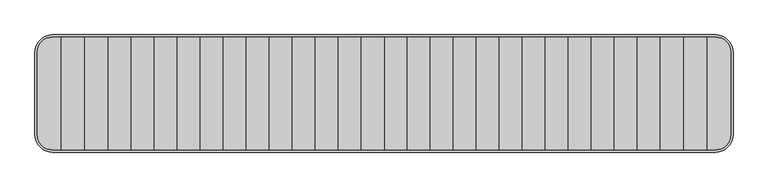
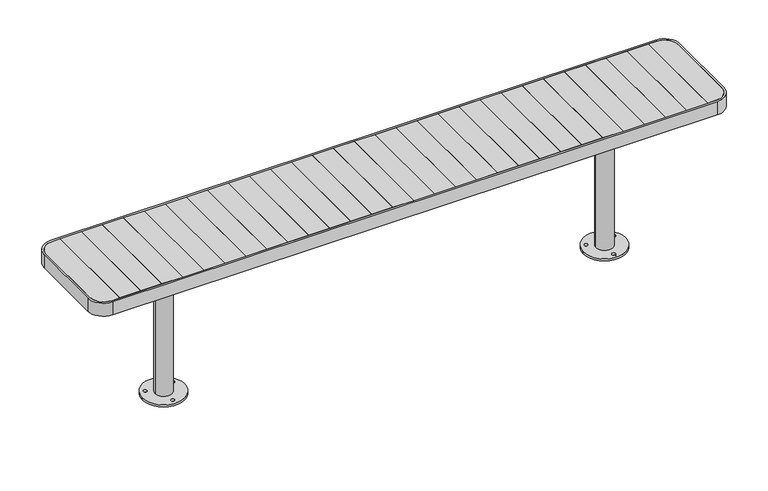
"""IFC4 building model written with IfcOpenShell, lengths in millimetres: furniture geometry."""

from ifc_helpers import new_model, si_unit, point, frame, frame_2d, origin, origin_with_axes, place, context, project, spatial, polyline, circle_curve, trimmed, segment, composite_curve, outline, extrude, source, transform, mapped, element, save
from ifc_brep_helpers import plane_surface, cylinder_surface, advanced_brep


def furniture_3f24c465(model_context):
    return source(origin(), model_context, "Body", "SolidModel", [
        extrude(outline(composite_curve([segment(trimmed(circle_curve(frame_2d((1036.35, 0.0)), 100.0), [point((1136.35, 0.0))], [point((936.35, 0.0))], False, "CARTESIAN"), True, "CONTINUOUS"), segment(trimmed(circle_curve(frame_2d((1036.35, 0.0)), 100.0), [point((936.35, 0.0))], [point((1136.35, 0.0))], False, "CARTESIAN"), True, "CONTINUOUS")], self_intersect=False), holes=[composite_curve([segment(trimmed(circle_curve(frame_2d((1101.3071886, 37.4460209)), 8.0), [point((1109.3071886, 37.4460209))], [point((1093.3071886, 37.4460209))], True, "CARTESIAN"), True, "CONTINUOUS"), segment(trimmed(circle_curve(frame_2d((1101.3071886, 37.4460209)), 8.0), [point((1093.3071886, 37.4460209))], [point((1109.3071886, 37.4460209))], True, "CARTESIAN"), True, "CONTINUOUS")], self_intersect=False), composite_curve([segment(trimmed(circle_curve(frame_2d((971.3071886, 37.4460209)), 8.0), [point((979.3071886, 37.4460209))], [point((963.3071886, 37.4460209))], True, "CARTESIAN"), True, "CONTINUOUS"), segment(trimmed(circle_curve(frame_2d((971.3071886, 37.4460209)), 8.0), [point((963.3071886, 37.4460209))], [point((979.3071886, 37.4460209))], True, "CARTESIAN"), True, "CONTINUOUS")], self_intersect=False), composite_curve([segment(trimmed(circle_curve(frame_2d((1036.3071886, -75.1372816)), 8.0), [point((1044.3071886, -75.1372816))], [point((1028.3071886, -75.1372816))], True, "CARTESIAN"), True, "CONTINUOUS"), segment(trimmed(circle_curve(frame_2d((1036.3071886, -75.1372816)), 8.0), [point((1028.3071886, -75.1372816))], [point((1044.3071886, -75.1372816))], True, "CARTESIAN"), True, "CONTINUOUS")], self_intersect=False)]), origin_with_axes(), (0.0, 0.0, 1.0), 9.9997207),
        extrude(outline(composite_curve([segment(trimmed(circle_curve(frame_2d((1036.3271918, 0.0)), 40.0), [point((1076.3271918, 0.0))], [point((996.3271918, 0.0))], False, "CARTESIAN"), True, "CONTINUOUS"), segment(trimmed(circle_curve(frame_2d((1036.3271918, 0.0)), 40.0), [point((996.3271918, 0.0))], [point((1076.3271918, 0.0))], False, "CARTESIAN"), True, "CONTINUOUS")], self_intersect=False)), origin_with_axes(), (0.0, 0.0, 1.0), 708.0),
        extrude(outline(composite_curve([segment(trimmed(circle_curve(frame_2d((-1036.35, 0.0)), 100.0), [point((-1136.35, 0.0))], [point((-936.35, 0.0))], False, "CARTESIAN"), True, "CONTINUOUS"), segment(trimmed(circle_curve(frame_2d((-1036.35, 0.0)), 100.0), [point((-936.35, 0.0))], [point((-1136.35, 0.0))], False, "CARTESIAN"), True, "CONTINUOUS")], self_intersect=False), holes=[composite_curve([segment(trimmed(circle_curve(frame_2d((-1101.3071886, 37.4460209)), 8.0), [point((-1109.3071886, 37.4460209))], [point((-1093.3071886, 37.4460209))], True, "CARTESIAN"), True, "CONTINUOUS"), segment(trimmed(circle_curve(frame_2d((-1101.3071886, 37.4460209)), 8.0), [point((-1093.3071886, 37.4460209))], [point((-1109.3071886, 37.4460209))], True, "CARTESIAN"), True, "CONTINUOUS")], self_intersect=False), composite_curve([segment(trimmed(circle_curve(frame_2d((-971.3071886, 37.4460209)), 8.0), [point((-979.3071886, 37.4460209))], [point((-963.3071886, 37.4460209))], True, "CARTESIAN"), True, "CONTINUOUS"), segment(trimmed(circle_curve(frame_2d((-971.3071886, 37.4460209)), 8.0), [point((-963.3071886, 37.4460209))], [point((-979.3071886, 37.4460209))], True, "CARTESIAN"), True, "CONTINUOUS")], self_intersect=False), composite_curve([segment(trimmed(circle_curve(frame_2d((-1036.3071886, -75.1372816)), 8.0), [point((-1044.3071886, -75.1372816))], [point((-1028.3071886, -75.1372816))], True, "CARTESIAN"), True, "CONTINUOUS"), segment(trimmed(circle_curve(frame_2d((-1036.3071886, -75.1372816)), 8.0), [point((-1028.3071886, -75.1372816))], [point((-1044.3071886, -75.1372816))], True, "CARTESIAN"), True, "CONTINUOUS")], self_intersect=False)]), origin_with_axes(), (0.0, 0.0, 1.0), 9.9997207),
        extrude(outline(composite_curve([segment(trimmed(circle_curve(frame_2d((-1036.3271918, 0.0)), 40.0), [point((-1076.3271918, 0.0))], [point((-996.3271918, 0.0))], False, "CARTESIAN"), True, "CONTINUOUS"), segment(trimmed(circle_curve(frame_2d((-1036.3271918, 0.0)), 40.0), [point((-996.3271918, 0.0))], [point((-1076.3271918, 0.0))], False, "CARTESIAN"), True, "CONTINUOUS")], self_intersect=False)), origin_with_axes(), (0.0, 0.0, 1.0), 708.0),
        extrude(outline(polyline([(-1283.1, -242.0), (-1381.8, -242.0), (-1381.8, 242.0), (-1283.1, 242.0), (-1283.1, -242.0)])), frame((0.0, 0.0, 712.0), z_axis=(0.0, 0.0, 1.0), x_axis=(1.0, 0.0, 0.0)), (0.0, 0.0, 1.0), 28.0),
        extrude(outline(polyline([(-1184.4, -242.0), (-1283.1, -242.0), (-1283.1, 242.0), (-1184.4, 242.0), (-1184.4, -242.0)])), frame((0.0, 0.0, 712.0), z_axis=(0.0, 0.0, 1.0), x_axis=(1.0, 0.0, 0.0)), (0.0, 0.0, 1.0), 28.0),
        extrude(outline(polyline([(-1085.7, -242.0), (-1184.4, -242.0), (-1184.4, 242.0), (-1085.7, 242.0), (-1085.7, -242.0)])), frame((0.0, 0.0, 712.0), z_axis=(0.0, 0.0, 1.0), x_axis=(1.0, 0.0, 0.0)), (0.0, 0.0, 1.0), 28.0),
        extrude(outline(polyline([(-987.0, -242.0), (-1085.7, -242.0), (-1085.7, 242.0), (-987.0, 242.0), (-987.0, -242.0)])), frame((0.0, 0.0, 712.0), z_axis=(0.0, 0.0, 1.0), x_axis=(1.0, 0.0, 0.0)), (0.0, 0.0, 1.0), 28.0),
        extrude(outline(polyline([(-888.3, -242.0), (-987.0, -242.0), (-987.0, 242.0), (-888.3, 242.0), (-888.3, -242.0)])), frame((0.0, 0.0, 712.0), z_axis=(0.0, 0.0, 1.0), x_axis=(1.0, 0.0, 0.0)), (0.0, 0.0, 1.0), 28.0),
        extrude(outline(polyline([(-789.6, -242.0), (-888.3, -242.0), (-888.3, 242.0), (-789.6, 242.0), (-789.6, -242.0)])), frame((0.0, 0.0, 712.0), z_axis=(0.0, 0.0, 1.0), x_axis=(1.0, 0.0, 0.0)), (0.0, 0.0, 1.0), 28.0),
        extrude(outline(polyline([(-690.9, -242.0), (-789.6, -242.0), (-789.6, 242.0), (-690.9, 242.0), (-690.9, -242.0)])), frame((0.0, 0.0, 712.0), z_axis=(0.0, 0.0, 1.0), x_axis=(1.0, 0.0, 0.0)), (0.0, 0.0, 1.0), 28.0),
        extrude(outline(polyline([(-592.2, -242.0), (-690.9, -242.0), (-690.9, 242.0), (-592.2, 242.0), (-592.2, -242.0)])), frame((0.0, 0.0, 712.0), z_axis=(0.0, 0.0, 1.0), x_axis=(1.0, 0.0, 0.0)), (0.0, 0.0, 1.0), 28.0),
        extrude(outline(polyline([(-493.5, -242.0), (-592.2, -242.0), (-592.2, 242.0), (-493.5, 242.0), (-493.5, -242.0)])), frame((0.0, 0.0, 712.0), z_axis=(0.0, 0.0, 1.0), x_axis=(1.0, 0.0, 0.0)), (0.0, 0.0, 1.0), 28.0),
        extrude(outline(polyline([(-394.8, -242.0), (-493.5, -242.0), (-493.5, 242.0), (-394.8, 242.0), (-394.8, -242.0)])), frame((0.0, 0.0, 712.0), z_axis=(0.0, 0.0, 1.0), x_axis=(1.0, 0.0, 0.0)), (0.0, 0.0, 1.0), 28.0),
        extrude(outline(polyline([(-296.1, -242.0), (-394.8, -242.0), (-394.8, 242.0), (-296.1, 242.0), (-296.1, -242.0)])), frame((0.0, 0.0, 712.0), z_axis=(0.0, 0.0, 1.0), x_axis=(1.0, 0.0, 0.0)), (0.0, 0.0, 1.0), 28.0),
        extrude(outline(composite_curve([segment(polyline([(-1485.5004557, -177.0), (-1485.5004557, 177.0)]), True, "CONTINUOUS"), segment(trimmed(circle_curve(frame_2d((-1420.5004557, 177.0)), 65.0), [point((-1485.5004557, 177.0))], [point((-1420.5004557, 242.0))], False, "CARTESIAN"), True, "CONTINUOUS"), segment(polyline([(-1420.5004557, 242.0), (-1381.8, 242.0), (-1381.8, -242.0), (-1420.5004557, -242.0)]), True, "CONTINUOUS"), segment(trimmed(circle_curve(frame_2d((-1420.5004557, -177.0)), 65.0), [point((-1420.5004557, -242.0))], [point((-1485.5004557, -177.0))], False, "CARTESIAN"), True, "CONTINUOUS")], self_intersect=False)), frame((0.0, 0.0, 712.0), z_axis=(0.0, 0.0, 1.0), x_axis=(1.0, 0.0, 0.0)), (0.0, 0.0, 1.0), 28.0),
        extrude(outline(polyline([(-197.4, -242.0), (-296.1, -242.0), (-296.1, 242.0), (-197.4, 242.0), (-197.4, -242.0)])), frame((0.0, 0.0, 712.0), z_axis=(0.0, 0.0, 1.0), x_axis=(1.0, 0.0, 0.0)), (0.0, 0.0, 1.0), 28.0),
        extrude(outline(polyline([(-98.7, -242.0), (-197.4, -242.0), (-197.4, 242.0), (-98.7, 242.0), (-98.7, -242.0)])), frame((0.0, 0.0, 712.0), z_axis=(0.0, 0.0, 1.0), x_axis=(1.0, 0.0, 0.0)), (0.0, 0.0, 1.0), 28.0),
        extrude(outline(polyline([(0.0, -242.0), (-98.7, -242.0), (-98.7, 242.0), (0.0, 242.0), (0.0, -242.0)])), frame((0.0, 0.0, 712.0), z_axis=(0.0, 0.0, 1.0), x_axis=(1.0, 0.0, 0.0)), (0.0, 0.0, 1.0), 28.0),
        extrude(outline(polyline([(1381.8, -242.0), (1283.1, -242.0), (1283.1, 242.0), (1381.8, 242.0), (1381.8, -242.0)])), frame((0.0, 0.0, 712.0), z_axis=(0.0, 0.0, 1.0), x_axis=(1.0, 0.0, 0.0)), (0.0, 0.0, 1.0), 28.0),
        extrude(outline(polyline([(1283.1, -242.0), (1184.4, -242.0), (1184.4, 242.0), (1283.1, 242.0), (1283.1, -242.0)])), frame((0.0, 0.0, 712.0), z_axis=(0.0, 0.0, 1.0), x_axis=(1.0, 0.0, 0.0)), (0.0, 0.0, 1.0), 28.0),
        extrude(outline(polyline([(1184.4, -242.0), (1085.7, -242.0), (1085.7, 242.0), (1184.4, 242.0), (1184.4, -242.0)])), frame((0.0, 0.0, 712.0), z_axis=(0.0, 0.0, 1.0), x_axis=(1.0, 0.0, 0.0)), (0.0, 0.0, 1.0), 28.0),
        extrude(outline(polyline([(1085.7, -242.0), (987.0, -242.0), (987.0, 242.0), (1085.7, 242.0), (1085.7, -242.0)])), frame((0.0, 0.0, 712.0), z_axis=(0.0, 0.0, 1.0), x_axis=(1.0, 0.0, 0.0)), (0.0, 0.0, 1.0), 28.0),
        extrude(outline(polyline([(987.0, -242.0), (888.3, -242.0), (888.3, 242.0), (987.0, 242.0), (987.0, -242.0)])), frame((0.0, 0.0, 712.0), z_axis=(0.0, 0.0, 1.0), x_axis=(1.0, 0.0, 0.0)), (0.0, 0.0, 1.0), 28.0),
        extrude(outline(polyline([(888.3, -242.0), (789.6, -242.0), (789.6, 242.0), (888.3, 242.0), (888.3, -242.0)])), frame((0.0, 0.0, 712.0), z_axis=(0.0, 0.0, 1.0), x_axis=(1.0, 0.0, 0.0)), (0.0, 0.0, 1.0), 28.0),
        extrude(outline(polyline([(789.6, -242.0), (690.9, -242.0), (690.9, 242.0), (789.6, 242.0), (789.6, -242.0)])), frame((0.0, 0.0, 712.0), z_axis=(0.0, 0.0, 1.0), x_axis=(1.0, 0.0, 0.0)), (0.0, 0.0, 1.0), 28.0),
        extrude(outline(polyline([(690.9, -242.0), (592.2, -242.0), (592.2, 242.0), (690.9, 242.0), (690.9, -242.0)])), frame((0.0, 0.0, 712.0), z_axis=(0.0, 0.0, 1.0), x_axis=(1.0, 0.0, 0.0)), (0.0, 0.0, 1.0), 28.0),
        extrude(outline(polyline([(592.2, -242.0), (493.5, -242.0), (493.5, 242.0), (592.2, 242.0), (592.2, -242.0)])), frame((0.0, 0.0, 712.0), z_axis=(0.0, 0.0, 1.0), x_axis=(1.0, 0.0, 0.0)), (0.0, 0.0, 1.0), 28.0),
        extrude(outline(polyline([(493.5, -242.0), (394.8, -242.0), (394.8, 242.0), (493.5, 242.0), (493.5, -242.0)])), frame((0.0, 0.0, 712.0), z_axis=(0.0, 0.0, 1.0), x_axis=(1.0, 0.0, 0.0)), (0.0, 0.0, 1.0), 28.0),
        extrude(outline(polyline([(394.8, -242.0), (296.1, -242.0), (296.1, 242.0), (394.8, 242.0), (394.8, -242.0)])), frame((0.0, 0.0, 712.0), z_axis=(0.0, 0.0, 1.0), x_axis=(1.0, 0.0, 0.0)), (0.0, 0.0, 1.0), 28.0),
        extrude(outline(composite_curve([segment(trimmed(circle_curve(frame_2d((1420.5004557, -177.0)), 65.0), [point((1485.5004557, -177.0))], [point((1420.5004557, -242.0))], False, "CARTESIAN"), True, "CONTINUOUS"), segment(polyline([(1420.5004557, -242.0), (1381.8, -242.0), (1381.8, 242.0), (1420.5004557, 242.0)]), True, "CONTINUOUS"), segment(trimmed(circle_curve(frame_2d((1420.5004557, 177.0)), 65.0), [point((1420.5004557, 242.0))], [point((1485.5004557, 177.0))], False, "CARTESIAN"), True, "CONTINUOUS"), segment(polyline([(1485.5004557, 177.0), (1485.5004557, -177.0)]), True, "CONTINUOUS")], self_intersect=False)), frame((0.0, 0.0, 712.0), z_axis=(0.0, 0.0, 1.0), x_axis=(1.0, 0.0, 0.0)), (0.0, 0.0, 1.0), 28.0),
        extrude(outline(polyline([(296.1, -242.0), (197.4, -242.0), (197.4, 242.0), (296.1, 242.0), (296.1, -242.0)])), frame((0.0, 0.0, 712.0), z_axis=(0.0, 0.0, 1.0), x_axis=(1.0, 0.0, 0.0)), (0.0, 0.0, 1.0), 28.0),
        extrude(outline(polyline([(197.4, -242.0), (98.7, -242.0), (98.7, 242.0), (197.4, 242.0), (197.4, -242.0)])), frame((0.0, 0.0, 712.0), z_axis=(0.0, 0.0, 1.0), x_axis=(1.0, 0.0, 0.0)), (0.0, 0.0, 1.0), 28.0),
        extrude(outline(polyline([(98.7, -242.0), (0.0, -242.0), (0.0, 242.0), (98.7, 242.0), (98.7, -242.0)])), frame((0.0, 0.0, 712.0), z_axis=(0.0, 0.0, 1.0), x_axis=(1.0, 0.0, 0.0)), (0.0, 0.0, 1.0), 28.0),
        advanced_brep(
        [(-1485.5004557, 177.0, 708.0), (-1420.5004557, 242.0, 708.0), (1420.5004557, 242.0, 708.0), (1485.5004557, 177.0, 708.0), (1485.5004557, -177.0, 708.0), (1420.5004557, -242.0, 708.0), (-1420.5004557, -242.0, 708.0), (-1485.5004557, -177.0, 708.0), (-1076.8785308, -142.0, 708.0), (-1076.8785308, 142.0, 708.0), (-1376.8, 141.9868511, 708.0), (-1376.8, -142.0, 708.0), (-995.8618569, 142.0, 708.0), (-995.8618569, -142.0, 708.0), (995.8618569, -142.0, 708.0), (995.8618569, 142.0, 708.0), (1386.8, 141.9868511, 708.0), (1076.8785308, 141.9885614, 708.0), (1076.8785308, -142.0, 708.0), (1386.8, -142.0, 708.0), (-1076.8785308, -142.0, 712.0), (-1076.8785308, 142.0, 712.0), (-1485.5004557, 177.0, 712.0), (-1485.5004557, -177.0, 712.0), (-1420.5004557, -242.0, 712.0), (1420.5004557, -242.0, 712.0), (1485.5004557, -177.0, 712.0), (1485.5004557, 177.0, 712.0), (1420.5004557, 242.0, 712.0), (-1420.5004557, 242.0, 712.0), (-1376.8, -142.0, 712.0), (-1376.8, 141.9868511, 712.0), (-995.8618569, -142.0, 712.0), (-995.8618569, 142.0, 712.0), (995.8618569, 141.9890085, 712.0), (995.8618569, -142.0, 712.0), (1386.8, -142.0, 712.0), (1076.8785308, -142.0, 712.0), (1076.8785308, 142.0, 712.0), (1386.8, 141.9868511, 712.0)],
        [
            (0, 1, circle_curve(frame((-1420.5004557, 177.0, 708.0), z_axis=(0.0, 0.0, -1.0), x_axis=(1.0, 0.0, 0.0)), 65.0)),
            (1, 2),
            (2, 3, circle_curve(frame((1420.5004557, 177.0, 708.0), z_axis=(0.0, 0.0, -1.0), x_axis=(-1.0, 0.0, 0.0)), 65.0)),
            (3, 4),
            (4, 5, circle_curve(frame((1420.5004557, -177.0, 708.0), z_axis=(0.0, 0.0, -1.0), x_axis=(-1.0, 0.0, 0.0)), 65.0)),
            (5, 6),
            (6, 7, circle_curve(frame((-1420.5004557, -177.0, 708.0), z_axis=(0.0, 0.0, -1.0), x_axis=(1.0, 0.0, 0.0)), 65.0)),
            (7, 0),
            (8, 9),
            (9, 10),
            (10, 11),
            (11, 8),
            (12, 13),
            (13, 14),
            (14, 15),
            (15, 12),
            (16, 17),
            (17, 18),
            (18, 19),
            (19, 16),
            (8, 20),
            (20, 21),
            (21, 9),
            (22, 23),
            (23, 24, circle_curve(frame((-1420.5004557, -177.0, 712.0), z_axis=(0.0, 0.0, 1.0), x_axis=(1.0, 0.0, 0.0)), 65.0)),
            (24, 25),
            (25, 26, circle_curve(frame((1420.5004557, -177.0, 712.0), z_axis=(0.0, 0.0, 1.0), x_axis=(-1.0, 0.0, 0.0)), 65.0)),
            (26, 27),
            (27, 28, circle_curve(frame((1420.5004557, 177.0, 712.0), z_axis=(0.0, 0.0, 1.0), x_axis=(-1.0, 0.0, 0.0)), 65.0)),
            (28, 29),
            (29, 22, circle_curve(frame((-1420.5004557, 177.0, 712.0), z_axis=(0.0, 0.0, 1.0), x_axis=(1.0, 0.0, 0.0)), 65.0)),
            (20, 30),
            (30, 31),
            (31, 21),
            (32, 33),
            (33, 34),
            (34, 35),
            (35, 32),
            (36, 37),
            (37, 38),
            (38, 39),
            (39, 36),
            (12, 33),
            (32, 13),
            (22, 0),
            (7, 23),
            (6, 24),
            (5, 25),
            (4, 26),
            (3, 27),
            (2, 28),
            (1, 29),
            (15, 34),
            (31, 10),
            (16, 39),
            (38, 17),
            (19, 36),
            (35, 14),
            (18, 37),
            (11, 30),
        ],
        [
            plane_surface(frame((-1076.8785308, -142.0, 708.0), z_axis=(0.0, 0.0, -1.0), x_axis=(0.0, 1.0, 0.0))),
            plane_surface(frame((-1076.8785308, -142.0, 712.0), z_axis=(-1.0, 0.0, 0.0), x_axis=(0.0, 1.0, 0.0))),
            plane_surface(frame((-995.8618569, -142.0, 712.0), z_axis=(0.0, 0.0, 1.0), x_axis=(0.0, 1.0, 0.0))),
            plane_surface(frame((-995.8618569, -142.0, 708.0), z_axis=(1.0, 0.0, 0.0), x_axis=(0.0, 1.0, 0.0))),
            plane_surface(frame((-1485.5004557, 177.0, 712.0), z_axis=(-1.0, 0.0, 0.0), x_axis=(0.0, 0.0, -1.0))),
            cylinder_surface(frame((-1420.5004557, -177.0, 708.0), z_axis=(0.0, 0.0, 1.0), x_axis=(1.0, 0.0, 0.0)), 65.0),
            plane_surface(frame((-1420.5004557, -242.0, 712.0), z_axis=(0.0, -1.0, 0.0), x_axis=(0.0, 0.0, -1.0))),
            cylinder_surface(frame((1420.5004557, -177.0, 708.0), z_axis=(0.0, 0.0, 1.0), x_axis=(-1.0, 0.0, 0.0)), 65.0),
            plane_surface(frame((1485.5004557, -177.0, 712.0), z_axis=(1.0, 0.0, 0.0), x_axis=(0.0, 0.0, -1.0))),
            cylinder_surface(frame((1420.5004557, 177.0, 708.0), z_axis=(0.0, 0.0, 1.0), x_axis=(-1.0, 0.0, 0.0)), 65.0),
            plane_surface(frame((1420.5004557, 242.0, 712.0), z_axis=(0.0, 1.0, 0.0), x_axis=(0.0, 0.0, -1.0))),
            cylinder_surface(frame((-1420.5004557, 177.0, 708.0), z_axis=(0.0, 0.0, 1.0), x_axis=(1.0, 0.0, 0.0)), 65.0),
            plane_surface(frame((-1376.8, 141.9868511, 712.0), z_axis=(0.0, -1.0, 0.0), x_axis=(0.0, 0.0, -1.0))),
            plane_surface(frame((1386.8, 141.9868511, 712.0), z_axis=(-1.0, 0.0, 0.0), x_axis=(0.0, 0.0, -1.0))),
            plane_surface(frame((1386.8, -142.0, 712.0), z_axis=(0.0, 1.0, 0.0), x_axis=(0.0, 0.0, -1.0))),
            plane_surface(frame((-1376.8, -142.0, 712.0), z_axis=(1.0, 0.0, 0.0), x_axis=(0.0, 0.0, -1.0))),
            plane_surface(frame((1076.8785308, -142.0, 708.0), z_axis=(1.0, 0.0, 0.0), x_axis=(0.0, 1.0, 0.0))),
            plane_surface(frame((995.8618569, -142.0, 712.0), z_axis=(-1.0, 0.0, 0.0), x_axis=(0.0, 1.0, 0.0))),
        ],
        [
            (0, [[1, 2, 3, 4, 5, 6, 7, 8], [9, 10, 11, 12], [13, 14, 15, 16], [17, 18, 19, 20]]),
            (1, [[-9, 21, 22, 23]]),
            (2, [[24, 25, 26, 27, 28, 29, 30, 31], [-22, 32, 33, 34], [35, 36, 37, 38], [39, 40, 41, 42]]),
            (3, [[-13, 43, -35, 44]]),
            (4, [[-24, 45, -8, 46]]),
            (5, [[-25, -46, -7, 47]]),
            (6, [[-26, -47, -6, 48]]),
            (7, [[-27, -48, -5, 49]]),
            (8, [[-28, -49, -4, 50]]),
            (9, [[-29, -50, -3, 51]]),
            (10, [[-30, -51, -2, 52]]),
            (11, [[-31, -52, -1, -45]]),
            (12, [[-43, -16, 53, -36]]),
            (12, [[54, -10, -23, -34]]),
            (12, [[55, -41, 56, -17]]),
            (13, [[-42, -55, -20, 57]]),
            (14, [[-44, -38, 58, -14]]),
            (14, [[-57, -19, 59, -39]]),
            (14, [[60, -32, -21, -12]]),
            (15, [[-33, -60, -11, -54]]),
            (16, [[-18, -56, -40, -59]]),
            (17, [[-15, -58, -37, -53]]),
        ],
    ),
        extrude(outline(composite_curve([segment(polyline([(-1495.5004557, -177.0), (-1495.5004557, 177.0)]), True, "CONTINUOUS"), segment(trimmed(circle_curve(frame_2d((-1420.5004557, 177.0)), 75.0), [point((-1495.5004557, 177.0))], [point((-1420.5004557, 252.0))], False, "CARTESIAN"), True, "CONTINUOUS"), segment(polyline([(-1420.5004557, 252.0), (1420.5004557, 252.0)]), True, "CONTINUOUS"), segment(trimmed(circle_curve(frame_2d((1420.5004557, 177.0)), 75.0), [point((1420.5004557, 252.0))], [point((1495.5004557, 177.0))], False, "CARTESIAN"), True, "CONTINUOUS"), segment(polyline([(1495.5004557, 177.0), (1495.5004557, -177.0)]), True, "CONTINUOUS"), segment(trimmed(circle_curve(frame_2d((1420.5004557, -177.0)), 75.0), [point((1495.5004557, -177.0))], [point((1420.5004557, -252.0))], False, "CARTESIAN"), True, "CONTINUOUS"), segment(polyline([(1420.5004557, -252.0), (-1420.5004557, -252.0)]), True, "CONTINUOUS"), segment(trimmed(circle_curve(frame_2d((-1420.5004557, -177.0)), 75.0), [point((-1420.5004557, -252.0))], [point((-1495.5004557, -177.0))], False, "CARTESIAN"), True, "CONTINUOUS")], self_intersect=False), holes=[composite_curve([segment(trimmed(circle_curve(frame_2d((-1420.5004557, -177.0)), 65.0), [point((-1485.5004557, -177.0))], [point((-1420.5004557, -242.0))], True, "CARTESIAN"), True, "CONTINUOUS"), segment(polyline([(-1420.5004557, -242.0), (1420.5004557, -242.0)]), True, "CONTINUOUS"), segment(trimmed(circle_curve(frame_2d((1420.5004557, -177.0)), 65.0), [point((1420.5004557, -242.0))], [point((1485.5004557, -177.0))], True, "CARTESIAN"), True, "CONTINUOUS"), segment(polyline([(1485.5004557, -177.0), (1485.5004557, 177.0)]), True, "CONTINUOUS"), segment(trimmed(circle_curve(frame_2d((1420.5004557, 177.0)), 65.0), [point((1485.5004557, 177.0))], [point((1420.5004557, 242.0))], True, "CARTESIAN"), True, "CONTINUOUS"), segment(polyline([(1420.5004557, 242.0), (-1420.5004557, 242.0)]), True, "CONTINUOUS"), segment(trimmed(circle_curve(frame_2d((-1420.5004557, 177.0)), 65.0), [point((-1420.5004557, 242.0))], [point((-1485.5004557, 177.0))], True, "CARTESIAN"), True, "CONTINUOUS"), segment(polyline([(-1485.5004557, 177.0), (-1485.5004557, -177.0)]), True, "CONTINUOUS")], self_intersect=False)]), frame((0.0, 0.0, 675.0000413), z_axis=(0.0, 0.0, 1.0), x_axis=(1.0, 0.0, 0.0)), (0.0, 0.0, 1.0), 64.9999587),
    ])


if __name__ == "__main__":
    model = new_model("IFC4")
    model_context = context("Model", 3, world=origin())
    ifc_project = project(units=[si_unit("LENGTHUNIT", "METRE", prefix="MILLI")], contexts=[model_context])
    site = spatial("IfcSite", under=ifc_project)
    building = spatial("IfcBuilding", under=site)
    placement = place(None, origin())
    furniture_shape = furniture_3f24c465(model_context)
    element("IfcFurniture", 1, at=placement, inside=building, context=model_context, shape_type="MappedRepresentation", body=[
        mapped(furniture_shape, transform((0.0, 0.0, 0.0), x_axis=(1.0, 0.0, 0.0), y_axis=(0.0, 1.0, 0.0), z_axis=(0.0, 0.0, 1.0))),
    ])
    save(model, "model.ifc")
